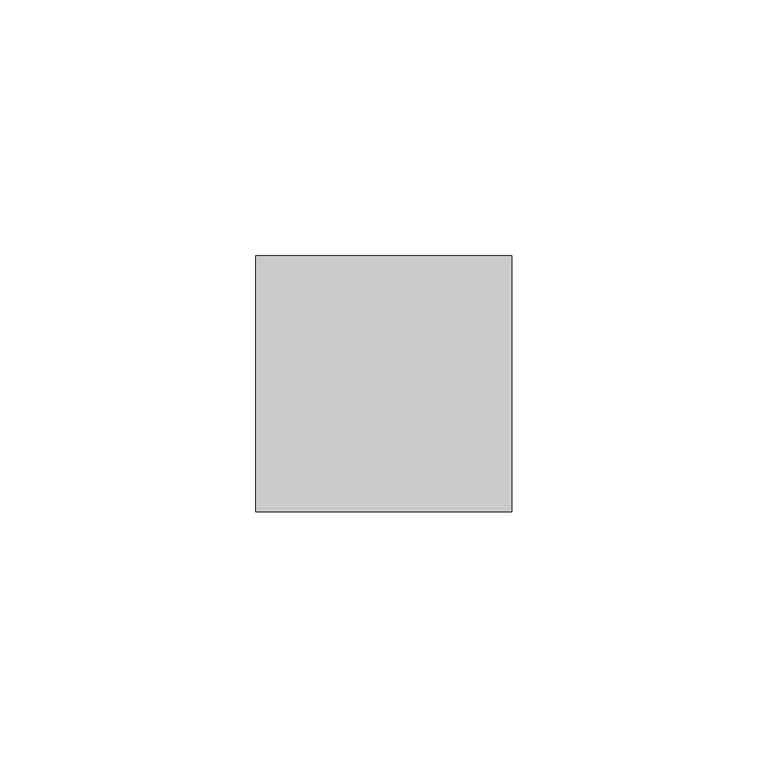
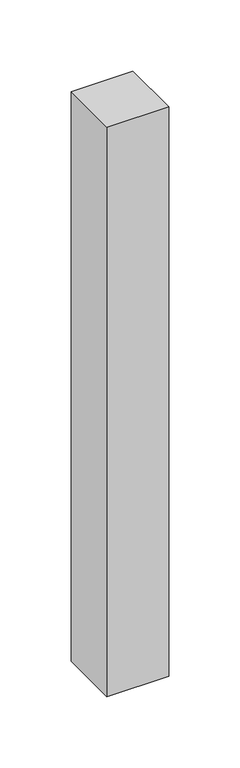
"""IFC4 building model written with IfcOpenShell, lengths in millimetres: member geometry."""

from ifc_helpers import new_model, si_unit, frame, origin, place, context, project, spatial, polyline, outline, extrude, source, transform, mapped, element, save


def member_6864245b(model_context):
    return source(origin(), model_context, "Body", "SweptSolid", [
        extrude(outline(polyline([(25.0, 25.0), (25.0, -25.0), (-25.0, -25.0), (-25.0, 25.0), (25.0, 25.0)])), frame((0.0, 0.0, -487.8751963), z_axis=(0.0, 0.0, 1.0), x_axis=(1.0, 0.0, 0.0)), (0.0, 0.0, 1.0), 487.8751963),
    ])


if __name__ == "__main__":
    model = new_model("IFC4")
    model_context = context("Model", 3, world=origin())
    ifc_project = project(units=[si_unit("LENGTHUNIT", "METRE", prefix="MILLI")], contexts=[model_context])
    site = spatial("IfcSite", under=ifc_project)
    building = spatial("IfcBuilding", under=site)
    placement = place(None, origin())
    member_shape = member_6864245b(model_context)
    element("IfcMember", 1, at=placement, inside=building, context=model_context, shape_type="MappedRepresentation", body=[
        mapped(member_shape, transform((0.0, 0.0, 0.0), x_axis=(1.0, 0.0, 0.0), y_axis=(0.0, 1.0, 0.0), z_axis=(0.0, 0.0, 1.0))),
    ])
    save(model, "model.ifc")
